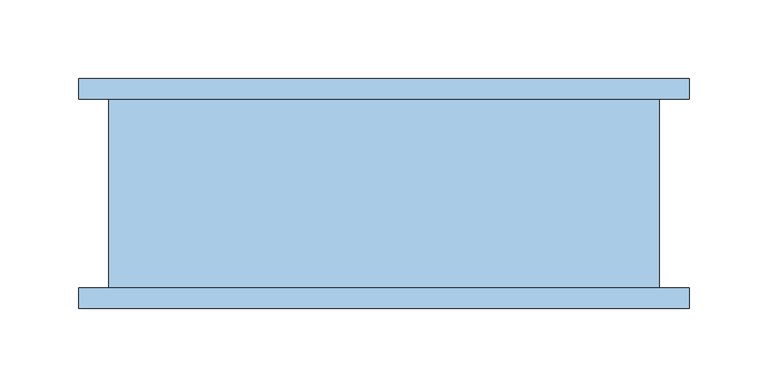
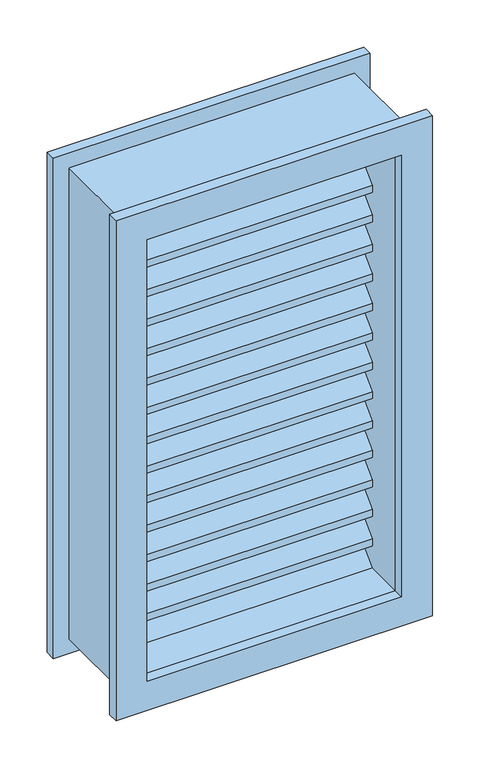
"""IFC4 building model written with IfcOpenShell, lengths in millimetres: window geometry."""

from ifc_helpers import new_model, si_unit, frame, origin, place, context, project, spatial, polyline, outline, extrude, source, transform, mapped, element, save


def window_9e406ac5(model_context):
    return source(origin(), model_context, "Body", "SweptSolid", [
        extrude(outline(polyline([(1543.55, -193.95), (896.05, -193.95), (896.05, 193.95), (1543.55, 193.95), (1543.55, -193.95)]), holes=[polyline([(1505.55, -155.95), (1505.55, 155.95), (934.05, 155.95), (934.05, -155.95), (1505.55, -155.95)])]), frame((0.0, 53.65, 0.0), z_axis=(0.0, 1.0, 0.0), x_axis=(0.0, 0.0, 1.0)), (0.0, 0.0, 1.0), 13.0),
        extrude(outline(polyline([(1543.55, 193.95), (1543.55, -193.95), (896.05, -193.95), (896.05, 193.95), (1543.55, 193.95)]), holes=[polyline([(1505.55, 155.95), (934.05, 155.95), (934.05, -155.95), (1505.55, -155.95), (1505.55, 155.95)])]), frame((0.0, -79.35, 0.0), z_axis=(0.0, 1.0, 0.0), x_axis=(0.0, 0.0, 1.0)), (0.0, 0.0, 1.0), 13.0),
        extrude(outline(polyline([(1524.6, 175.0), (1524.6, -175.0), (915.0, -175.0), (915.0, 175.0), (1524.6, 175.0)]), holes=[polyline([(1505.55, 155.95), (934.05, 155.95), (934.05, -155.95), (1505.55, -155.95), (1505.55, 155.95)])]), frame((0.0, -66.35, 0.0), z_axis=(0.0, 1.0, 0.0), x_axis=(0.0, 0.0, 1.0)), (0.0, 0.0, 1.0), 120.0),
        extrude(outline(polyline([(17.7289755, 969.9710245), (53.65, 934.05), (44.6697439, 934.05), (17.7289755, 960.9907684), (-9.2117928, 934.05), (-18.192049, 934.05), (17.7289755, 969.9710245)])), frame((-155.95, 0.0, 0.0), z_axis=(1.0, 0.0, 0.0), x_axis=(0.0, 1.0, 0.0)), (0.0, 0.0, 1.0), 311.9),
        extrude(outline(polyline([(17.7289755, 1008.0710245), (53.65, 972.15), (53.65, 963.1697439), (17.7289755, 999.0907684), (-18.192049, 963.1697439), (-18.192049, 972.15), (17.7289755, 1008.0710245)])), frame((-155.95, 0.0, 0.0), z_axis=(1.0, 0.0, 0.0), x_axis=(0.0, 1.0, 0.0)), (0.0, 0.0, 1.0), 311.9),
        extrude(outline(polyline([(17.7289755, 1046.1710245), (53.65, 1010.25), (53.65, 1001.2697439), (17.7289755, 1037.1907684), (-18.192049, 1001.2697439), (-18.192049, 1010.25), (17.7289755, 1046.1710245)])), frame((-155.95, 0.0, 0.0), z_axis=(1.0, 0.0, 0.0), x_axis=(0.0, 1.0, 0.0)), (0.0, 0.0, 1.0), 311.9),
        extrude(outline(polyline([(17.7289755, 1084.2710245), (53.65, 1048.35), (53.65, 1039.3697439), (17.7289755, 1075.2907684), (-18.192049, 1039.3697439), (-18.192049, 1048.35), (17.7289755, 1084.2710245)])), frame((-155.95, 0.0, 0.0), z_axis=(1.0, 0.0, 0.0), x_axis=(0.0, 1.0, 0.0)), (0.0, 0.0, 1.0), 311.9),
        extrude(outline(polyline([(17.7289755, 1122.3710245), (53.65, 1086.45), (53.65, 1077.4697439), (17.7289755, 1113.3907684), (-18.192049, 1077.4697439), (-18.192049, 1086.45), (17.7289755, 1122.3710245)])), frame((-155.95, 0.0, 0.0), z_axis=(1.0, 0.0, 0.0), x_axis=(0.0, 1.0, 0.0)), (0.0, 0.0, 1.0), 311.9),
        extrude(outline(polyline([(17.7289755, 1160.4710245), (53.65, 1124.55), (53.65, 1115.5697439), (17.7289755, 1151.4907684), (-18.192049, 1115.5697439), (-18.192049, 1124.55), (17.7289755, 1160.4710245)])), frame((-155.95, 0.0, 0.0), z_axis=(1.0, 0.0, 0.0), x_axis=(0.0, 1.0, 0.0)), (0.0, 0.0, 1.0), 311.9),
        extrude(outline(polyline([(17.7289755, 1198.5710245), (53.65, 1162.65), (53.65, 1153.6697439), (17.7289755, 1189.5907684), (-18.192049, 1153.6697439), (-18.192049, 1162.65), (17.7289755, 1198.5710245)])), frame((-155.95, 0.0, 0.0), z_axis=(1.0, 0.0, 0.0), x_axis=(0.0, 1.0, 0.0)), (0.0, 0.0, 1.0), 311.9),
        extrude(outline(polyline([(17.7289755, 1236.6710245), (53.65, 1200.75), (53.65, 1191.7697439), (17.7289755, 1227.6907684), (-18.192049, 1191.7697439), (-18.192049, 1200.75), (17.7289755, 1236.6710245)])), frame((-155.95, 0.0, 0.0), z_axis=(1.0, 0.0, 0.0), x_axis=(0.0, 1.0, 0.0)), (0.0, 0.0, 1.0), 311.9),
        extrude(outline(polyline([(17.7289755, 1274.7710245), (53.65, 1238.85), (53.65, 1229.8697439), (17.7289755, 1265.7907684), (-18.192049, 1229.8697439), (-18.192049, 1238.85), (17.7289755, 1274.7710245)])), frame((-155.95, 0.0, 0.0), z_axis=(1.0, 0.0, 0.0), x_axis=(0.0, 1.0, 0.0)), (0.0, 0.0, 1.0), 311.9),
        extrude(outline(polyline([(17.7289755, 1312.8710245), (53.65, 1276.95), (53.65, 1267.9697439), (17.7289755, 1303.8907684), (-18.192049, 1267.9697439), (-18.192049, 1276.95), (17.7289755, 1312.8710245)])), frame((-155.95, 0.0, 0.0), z_axis=(1.0, 0.0, 0.0), x_axis=(0.0, 1.0, 0.0)), (0.0, 0.0, 1.0), 311.9),
        extrude(outline(polyline([(17.7289755, 1350.9710245), (53.65, 1315.05), (53.65, 1306.0697439), (17.7289755, 1341.9907684), (-18.192049, 1306.0697439), (-18.192049, 1315.05), (17.7289755, 1350.9710245)])), frame((-155.95, 0.0, 0.0), z_axis=(1.0, 0.0, 0.0), x_axis=(0.0, 1.0, 0.0)), (0.0, 0.0, 1.0), 311.9),
        extrude(outline(polyline([(17.7289755, 1389.0710245), (53.65, 1353.15), (53.65, 1344.1697439), (17.7289755, 1380.0907684), (-18.192049, 1344.1697439), (-18.192049, 1353.15), (17.7289755, 1389.0710245)])), frame((-155.95, 0.0, 0.0), z_axis=(1.0, 0.0, 0.0), x_axis=(0.0, 1.0, 0.0)), (0.0, 0.0, 1.0), 311.9),
        extrude(outline(polyline([(17.7289755, 1427.1710245), (53.65, 1391.25), (53.65, 1382.2697439), (17.7289755, 1418.1907684), (-18.192049, 1382.2697439), (-18.192049, 1391.25), (17.7289755, 1427.1710245)])), frame((-155.95, 0.0, 0.0), z_axis=(1.0, 0.0, 0.0), x_axis=(0.0, 1.0, 0.0)), (0.0, 0.0, 1.0), 311.9),
        extrude(outline(polyline([(17.7289755, 1465.1710245), (53.65, 1429.35), (53.65, 1420.3697439), (17.7289755, 1456.2907684), (-18.192049, 1420.3697439), (-18.192049, 1429.35), (17.7289755, 1465.1710245)])), frame((-155.95, 0.0, 0.0), z_axis=(1.0, 0.0, 0.0), x_axis=(0.0, 1.0, 0.0)), (0.0, 0.0, 1.0), 311.9),
        extrude(outline(polyline([(17.7289755, 1503.2710245), (53.65, 1467.35), (53.65, 1458.3697439), (17.7289755, 1494.2907684), (-18.192049, 1458.3697439), (-18.192049, 1467.35), (17.7289755, 1503.2710245)])), frame((-155.95, 0.0, 0.0), z_axis=(1.0, 0.0, 0.0), x_axis=(0.0, 1.0, 0.0)), (0.0, 0.0, 1.0), 311.9),
    ])


if __name__ == "__main__":
    model = new_model("IFC4")
    model_context = context("Model", 3, world=origin())
    ifc_project = project(units=[si_unit("LENGTHUNIT", "METRE", prefix="MILLI")], contexts=[model_context])
    site = spatial("IfcSite", under=ifc_project)
    building = spatial("IfcBuilding", under=site)
    placement = place(None, origin())
    window_shape = window_9e406ac5(model_context)
    element("IfcWindow", 1, at=placement, inside=building, context=model_context, shape_type="MappedRepresentation", body=[
        mapped(window_shape, transform((0.0, 0.0, 0.0), x_axis=(1.0, 0.0, 0.0), y_axis=(0.0, 1.0, 0.0), z_axis=(0.0, 0.0, 1.0))),
    ])
    save(model, "model.ifc")
